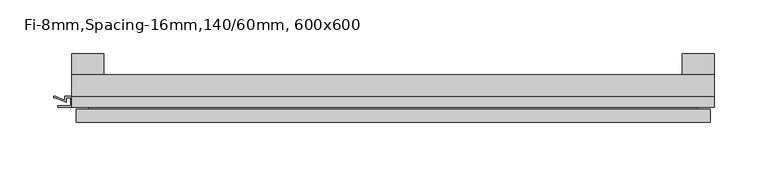
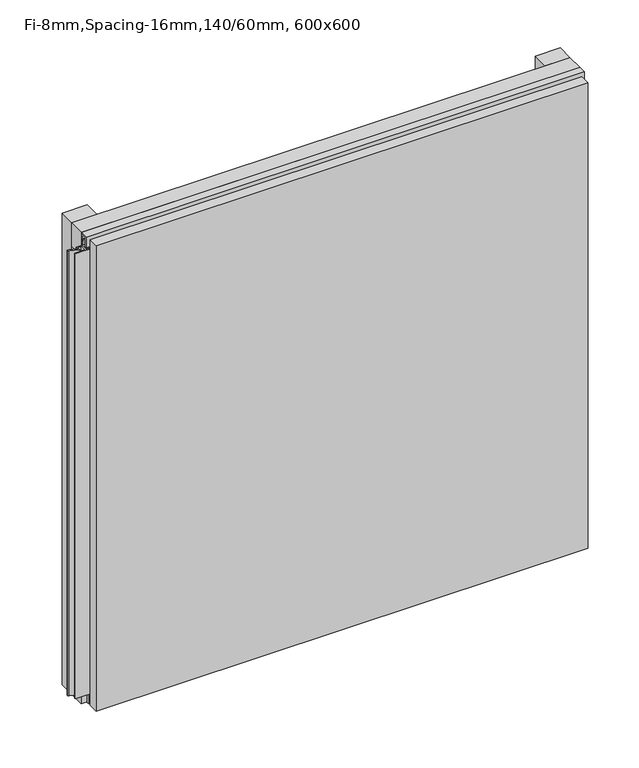
"""IFC4 building model written with IfcOpenShell, lengths in millimetres: plate geometry, Fi-8mm,Spacing-16mm,140/60mm, 600x600."""

from ifc_helpers import new_model, si_unit, frame, origin, origin_with_axes, place, context, project, spatial, polyline, outline, extrude, faceted_brep, source, transform, mapped, element, save


def fi_8mm_spacing_16mm_140_60mm_600x600_ff6efb81(model_context):
    return source(origin(), model_context, "Body", "SolidModel", [
        extrude(outline(polyline([(-300.0, -40.0), (-300.0, -20.0), (300.0, -20.0), (300.0, -40.0), (-300.0, -40.0)])), frame((0.0, 0.0, 570.0), z_axis=(0.0, 0.0, 1.0), x_axis=(1.0, 0.0, 0.0)), (0.0, 0.0, 1.0), 30.0),
        extrude(outline(polyline([(-300.0, -40.0), (-300.0, -20.0), (300.0, -20.0), (300.0, -40.0), (-300.0, -40.0)])), origin_with_axes(), (0.0, 0.0, 1.0), 30.0),
        extrude(outline(polyline([(270.0, 0.0), (300.0, 0.0), (300.0, -20.0), (270.0, -20.0), (270.0, 0.0)])), origin_with_axes(), (0.0, 0.0, 1.0), 600.0),
        extrude(outline(polyline([(-270.0, 0.0), (-270.0, -20.0), (-300.0, -20.0), (-300.0, 0.0), (-270.0, 0.0)])), origin_with_axes(), (0.0, 0.0, 1.0), 600.0),
        extrude(outline(polyline([(-40.0, 593.700916), (-43.5, 593.700916), (-40.0553267, 584.6441401), (-40.0553267, 577.008452), (-41.4553267, 577.008452), (-41.4553267, 584.4296606), (-45.5140545, 595.100916), (-41.4, 595.100916), (-41.4, 598.5843193), (-48.7, 598.5843193), (-48.7, 586.5843193), (-50.1, 586.5843193), (-50.1, 600.0), (-40.0, 600.0), (-40.0, 593.700916)])), frame((-300.0, 0.0, 0.0), z_axis=(1.0, 0.0, 0.0), x_axis=(0.0, 1.0, 0.0)), (0.0, 0.0, 1.0), 600.0),
        extrude(outline(polyline([(293.700916, -40.0), (300.0, -40.0), (300.0, -50.1), (286.5843193, -50.1), (286.5843193, -48.7), (298.5843193, -48.7), (298.5843193, -41.4), (295.100916, -41.4), (295.100916, -45.5140545), (284.4296606, -41.4553267), (277.008452, -41.4553267), (277.008452, -40.0553267), (284.6441401, -40.0553267), (293.700916, -43.5), (293.700916, -40.0)])), frame((0.0, 0.0, 16.9558599), z_axis=(0.0, 0.0, 1.0), x_axis=(1.0, 0.0, 0.0)), (0.0, 0.0, 1.0), 566.0882802),
        extrude(outline(polyline([(-300.899084, -48.7), (-300.899084, -41.4), (-304.899084, -41.4), (-304.899084, -45.5140545), (-315.5703394, -41.4553267), (-316.9558599, -41.4553267), (-316.9558599, -40.0553267), (-315.3558599, -40.0553267), (-306.299084, -43.5), (-306.299084, -40.0), (-293.700916, -40.0), (-293.700916, -43.5), (-284.6441401, -40.0553267), (-283.0441401, -40.0553267), (-283.0441401, -41.4553267), (-284.4296606, -41.4553267), (-295.100916, -45.5140545), (-295.100916, -41.4), (-299.100916, -41.4), (-299.100916, -48.7), (-287.100916, -48.7), (-287.100916, -50.1), (-312.899084, -50.1), (-312.899084, -48.7), (-300.899084, -48.7)])), frame((0.0, 0.0, 16.9558599), z_axis=(0.0, 0.0, 1.0), x_axis=(1.0, 0.0, 0.0)), (0.0, 0.0, 1.0), 566.0882802),
        faceted_brep([(296.0, -45.9, 596.0), (-296.0, -45.9, 596.0), (-296.0, -48.7, 596.0), (296.0, -48.7, 596.0), (-296.0, -63.9, 596.0), (296.0, -63.9, 596.0), (296.0, -51.9, 596.0), (-296.0, -51.9, 596.0), (-296.0, -45.9, 4.0), (296.0, -45.9, 4.0), (296.0, -48.7, 4.0), (-296.0, -48.7, 4.0), (296.0, -63.9, 4.0), (-296.0, -63.9, 4.0), (-296.0, -51.9, 4.0), (296.0, -51.9, 4.0), (284.0, -51.9, 584.0), (284.0, -51.9, 16.0), (284.0, -48.7, 16.0), (284.0, -48.7, 584.0), (-284.0, -51.9, 16.0), (-284.0, -48.7, 16.0), (-284.0, -51.9, 584.0), (-284.0, -48.7, 584.0)], [[[0, 1, 2, 3]], [[4, 5, 6, 7]], [[8, 9, 10, 11]], [[12, 13, 14, 15]], [[1, 0, 9, 8]], [[1, 8, 11, 2]], [[13, 4, 7, 14]], [[5, 4, 13, 12]], [[9, 0, 3, 10]], [[5, 12, 15, 6]], [[16, 17, 18, 19]], [[18, 17, 20, 21]], [[21, 20, 22, 23]], [[16, 19, 23, 22]], [[7, 6, 15, 14], [17, 16, 22, 20]], [[3, 2, 11, 10], [19, 18, 21, 23]]]),
    ])


if __name__ == "__main__":
    model = new_model("IFC4")
    model_context = context("Model", 3, world=origin())
    ifc_project = project(units=[si_unit("LENGTHUNIT", "METRE", prefix="MILLI")], contexts=[model_context])
    site = spatial("IfcSite", under=ifc_project)
    building = spatial("IfcBuilding", under=site)
    placement = place(None, origin())
    fi_8mm_spacing_16mm_140_60mm_600x600_shape = fi_8mm_spacing_16mm_140_60mm_600x600_ff6efb81(model_context)
    element("IfcPlate", 1, ObjectType="Fi-8mm,Spacing-16mm,140/60mm, 600x600", at=placement, inside=building, context=model_context, shape_type="MappedRepresentation", body=[
        mapped(fi_8mm_spacing_16mm_140_60mm_600x600_shape, transform((0.0, 0.0, 0.0), x_axis=(1.0, 0.0, 0.0), y_axis=(0.0, 1.0, 0.0), z_axis=(0.0, 0.0, 1.0))),
    ])
    save(model, "model.ifc")
